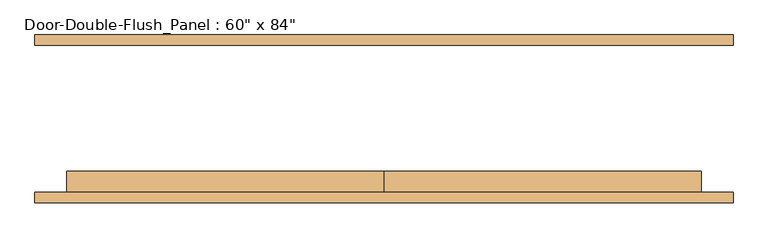
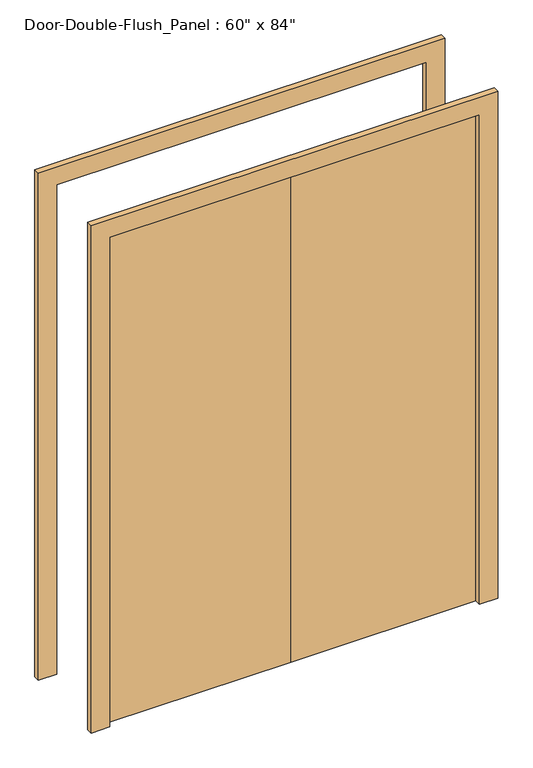
"""IFC4 building model written with IfcOpenShell, lengths in millimetres: door geometry."""

from ifc_helpers import new_model, si_unit, frame, origin, origin_with_axes, place, context, project, spatial, polyline, outline, extrude, source, transform, mapped, element, save


def door_7370ee55(model_context):
    return source(origin(), model_context, "Body", "SweptSolid", [
        extrude(outline(polyline([(2133.6, -762.0), (2133.6, 762.0), (0.0, 762.0), (0.0, 838.2), (2209.8, 838.2), (2209.8, -838.2), (0.0, -838.2), (0.0, -762.0), (2133.6, -762.0)])), frame((0.0, 176.2125, 0.0), z_axis=(0.0, 1.0, 0.0), x_axis=(0.0, 0.0, 1.0)), (0.0, 0.0, 1.0), 25.4),
        extrude(outline(polyline([(2133.6, -762.0), (2133.6, 762.0), (0.0, 762.0), (0.0, 838.2), (2209.8, 838.2), (2209.8, -838.2), (0.0, -838.2), (0.0, -762.0), (2133.6, -762.0)])), frame((0.0, -201.6125, 0.0), z_axis=(0.0, 1.0, 0.0), x_axis=(0.0, 0.0, 1.0)), (0.0, 0.0, 1.0), 25.4),
        extrude(outline(polyline([(0.0, -176.2125), (0.0, -125.4125), (762.0, -125.4125), (762.0, -176.2125), (0.0, -176.2125)])), origin_with_axes(), (0.0, 0.0, 1.0), 2133.6),
        extrude(outline(polyline([(-762.0, -176.2125), (-762.0, -125.4125), (0.0, -125.4125), (0.0, -176.2125), (-762.0, -176.2125)])), origin_with_axes(), (0.0, 0.0, 1.0), 2133.6),
    ])


if __name__ == "__main__":
    model = new_model("IFC4")
    model_context = context("Model", 3, world=origin())
    ifc_project = project(units=[si_unit("LENGTHUNIT", "METRE", prefix="MILLI")], contexts=[model_context])
    site = spatial("IfcSite", under=ifc_project)
    building = spatial("IfcBuilding", under=site)
    placement = place(None, origin())
    door_shape = door_7370ee55(model_context)
    element("IfcDoor", 1, ObjectType="Door-Double-Flush_Panel : 60\" x 84\"", at=placement, inside=building, context=model_context, shape_type="MappedRepresentation", body=[
        mapped(door_shape, transform((0.0, 0.0, 0.0), x_axis=(1.0, 0.0, 0.0), y_axis=(0.0, 1.0, 0.0), z_axis=(0.0, 0.0, 1.0))),
    ])
    save(model, "model.ifc")
